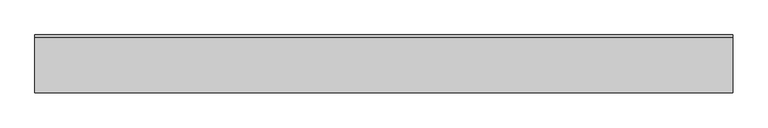
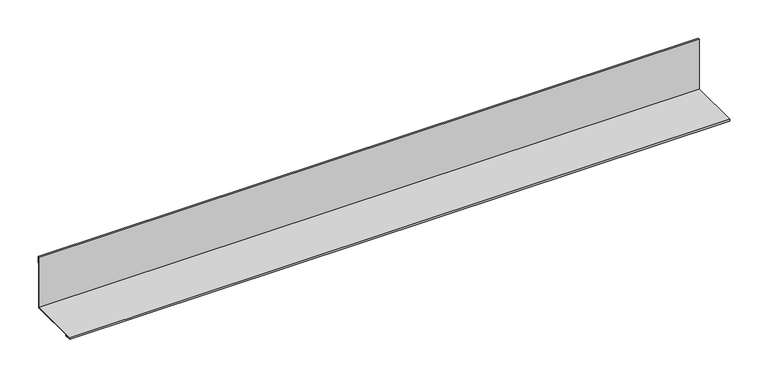
"""IFC4 building model written with IfcOpenShell, lengths in millimetres: proxy geometry."""

from ifc_helpers import new_model, si_unit, frame, origin, place, context, project, spatial, polyline, outline, extrude, source, transform, mapped, element, save


def generic_models_7864667e(model_context):
    return source(origin(), model_context, "Body", "SweptSolid", [
        extrude(outline(polyline([(-75.0, 2.0), (-85.0, 2.0), (-85.0, 5.0), (-5.0, 5.0), (-5.0, 85.0), (-2.0, 85.0), (-2.0, 75.0), (-3.0, 75.0), (-3.0, 84.0), (-4.0, 84.0), (-4.0, 4.0), (-84.0, 4.0), (-84.0, 3.0), (-75.0, 3.0), (-75.0, 2.0)])), frame((0.0, 0.0, 0.0), z_axis=(1.0, 0.0, 0.0), x_axis=(0.0, 1.0, 0.0)), (0.0, 0.0, 1.0), 1000.0),
    ])


if __name__ == "__main__":
    model = new_model("IFC4")
    model_context = context("Model", 3, world=origin())
    ifc_project = project(units=[si_unit("LENGTHUNIT", "METRE", prefix="MILLI")], contexts=[model_context])
    site = spatial("IfcSite", under=ifc_project)
    building = spatial("IfcBuilding", under=site)
    placement = place(None, origin())
    generic_models_shape = generic_models_7864667e(model_context)
    element("IfcBuildingElementProxy", 1, Name="Generic Models", at=placement, inside=building, context=model_context, shape_type="MappedRepresentation", body=[
        mapped(generic_models_shape, transform((0.0, 0.0, 0.0), x_axis=(1.0, 0.0, 0.0), y_axis=(0.0, 1.0, 0.0), z_axis=(0.0, 0.0, 1.0))),
    ])
    save(model, "model.ifc")
